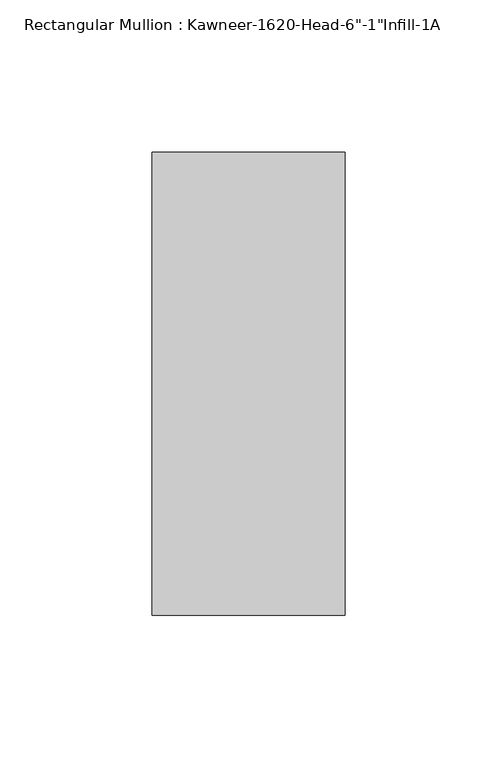
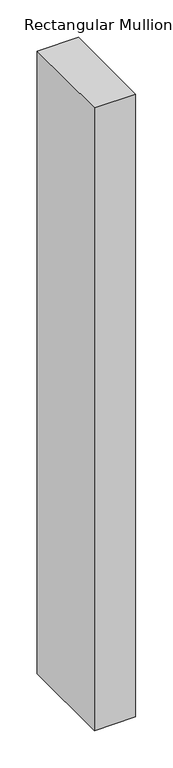
"""IFC4 building model written with IfcOpenShell, lengths in millimetres: member geometry."""

from ifc_helpers import new_model, si_unit, frame, origin, place, context, project, spatial, polyline, outline, extrude, source, transform, mapped, element, save


def member_c6603192(model_context):
    return source(origin(), model_context, "Body", "SweptSolid", [
        extrude(outline(polyline([(-63.5, 38.1), (0.0, 38.1), (0.0, -114.3), (-63.5, -114.3), (-63.5, 38.1)])), frame((0.0, 0.0, -1015.1317631), z_axis=(0.0, 0.0, 1.0), x_axis=(1.0, 0.0, 0.0)), (0.0, 0.0, 1.0), 1015.1317631),
    ])


if __name__ == "__main__":
    model = new_model("IFC4")
    model_context = context("Model", 3, world=origin())
    ifc_project = project(units=[si_unit("LENGTHUNIT", "METRE", prefix="MILLI")], contexts=[model_context])
    site = spatial("IfcSite", under=ifc_project)
    building = spatial("IfcBuilding", under=site)
    placement = place(None, origin())
    member_shape = member_c6603192(model_context)
    element("IfcMember", 1, ObjectType="Rectangular Mullion : Kawneer-1620-Head-6\"-1\"Infill-1A", at=placement, inside=building, context=model_context, shape_type="MappedRepresentation", body=[
        mapped(member_shape, transform((0.0, 0.0, 0.0), x_axis=(1.0, 0.0, 0.0), y_axis=(0.0, 1.0, 0.0), z_axis=(0.0, 0.0, 1.0))),
    ])
    save(model, "model.ifc")
